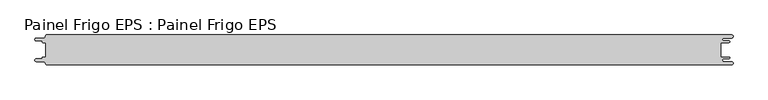
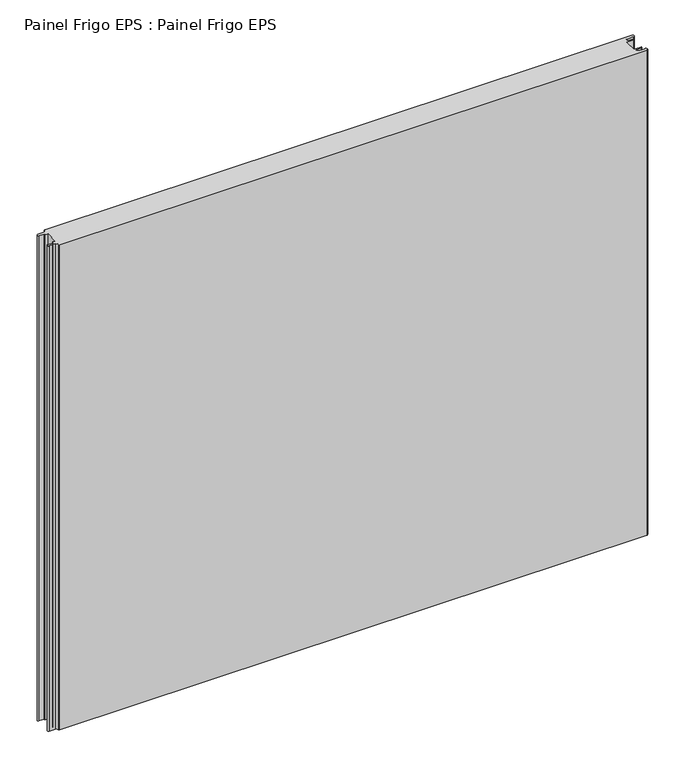
"""IFC4 building model written with IfcOpenShell, lengths in millimetres: proxy geometry, Painel Frigo EPS : Painel Frigo EPS."""

from ifc_helpers import new_model, si_unit, frame, origin, place, context, project, spatial, polyline, circle_curve, source, transform, mapped, element, save
from ifc_brep_helpers import plane_surface, cylinder_surface, revolved_surface, advanced_brep


def painel_frigo_eps_painel_frigo_eps_daf42978(model_context):
    return source(origin(), model_context, "Body", "AdvancedBrep", [
        advanced_brep(
        [(-579.5093748, 12.3, 1000.0), (-574.2218362, 12.3, 1000.0), (-574.2218362, -12.2999995, 1000.0), (-579.5093748, -12.2999995, 1000.0), (-580.1093753, -12.9, 1000.0), (-580.1093753, -13.7085185, 1000.0), (-581.5093753, -15.1085185, 1000.0), (-590.4875, -15.1085185, 1000.0), (-590.4875, -19.5085185, 1000.0), (-578.471875, -19.5085185, 1000.0), (-574.921875, -23.0585185, 1000.0), (-572.971875, -25.0, 1000.0), (572.284375, -25.0, 1000.0), (572.284375, -19.725, 1000.0), (559.378125, -19.725, 1000.0), (559.378125, -14.875, 1000.0), (568.0406253, -14.875, 1000.0), (568.0406253, -12.3, 1000.0), (554.1906253, -12.3, 1000.0), (554.1906253, 12.3, 1000.0), (568.0406253, 12.3, 1000.0), (568.0406253, 14.875, 1000.0), (559.378125, 14.875, 1000.0), (559.378125, 19.725, 1000.0), (572.284375, 19.725, 1000.0), (572.284375, 25.0, 1000.0), (-572.971875, 25.0, 1000.0), (-574.921875, 23.05, 1000.0), (-578.471875, 19.5085185, 1000.0), (-590.4875, 19.5085185, 1000.0), (-590.4875, 15.1085187, 1000.0), (-581.5093751, 15.1085187, 1000.0), (-580.1093748, 13.7085184, 1000.0), (-580.1093748, 12.9, 1000.0), (-579.5093748, 12.3, 0.0), (-580.1093748, 12.9, 0.0), (-580.1093748, 13.7085184, 0.0), (-581.5093751, 15.1085187, 0.0), (-590.4875, 15.1085187, 0.0), (-590.4875, 19.5085185, 0.0), (-578.471875, 19.5085185, 0.0), (-574.921875, 23.0585185, 0.0), (-572.971875, 25.0, 0.0), (572.284375, 25.0, 0.0), (572.284375, 19.725, 0.0), (559.378125, 19.725, 0.0), (559.378125, 14.875, 0.0), (568.0406253, 14.875, 0.0), (568.0406253, 12.3, 0.0), (554.1906253, 12.3, 0.0), (554.1906253, -12.3, 0.0), (568.0406253, -12.3, 0.0), (568.0406253, -14.875, 0.0), (559.378125, -14.875, 0.0), (559.378125, -19.725, 0.0), (572.284375, -19.725, 0.0), (572.284375, -25.0, 0.0), (-572.971875, -25.0, 0.0), (-574.921875, -23.05, 0.0), (-578.471875, -19.5085185, 0.0), (-590.4875, -19.5085185, 0.0), (-590.4875, -15.1085185, 0.0), (-581.5093753, -15.1085185, 0.0), (-580.1093753, -13.7085185, 0.0), (-580.1093753, -12.9, 0.0), (-579.5093748, -12.2999995, 0.0), (-574.2218362, -12.2999995, 0.0), (-574.2218362, 12.3, 0.0)],
        [
            (0, 1),
            (1, 2),
            (2, 3),
            (3, 4, circle_curve(frame((-579.5093748, -12.9, 1000.0), z_axis=(0.0, 0.0, 1.0), x_axis=(1.0, 0.0, 0.0)), 0.6000005)),
            (4, 5),
            (5, 6, circle_curve(frame((-581.5093753, -13.7085185, 1000.0), z_axis=(0.0, 0.0, -1.0), x_axis=(1.0, 0.0, 0.0)), 1.4)),
            (6, 7),
            (7, 8, circle_curve(frame((-590.4875, -17.3085185, 1000.0), z_axis=(0.0, 0.0, 1.0), x_axis=(1.0, 0.0, 0.0)), 2.2)),
            (8, 9),
            (9, 10, circle_curve(frame((-578.471875, -23.0585185, 1000.0), z_axis=(0.0, 0.0, -1.0), x_axis=(1.0, 0.0, 0.0)), 3.55)),
            (10, 11, circle_curve(frame((-572.971875, -23.05, 1000.0), z_axis=(0.0, 0.0, 1.0), x_axis=(1.0, 0.0, 0.0)), 1.95)),
            (11, 12),
            (12, 13, circle_curve(frame((572.284375, -22.3625, 1000.0), z_axis=(0.0, 0.0, 1.0), x_axis=(1.0, 0.0, 0.0)), 2.6375)),
            (13, 14),
            (14, 15, circle_curve(frame((559.378125, -17.3, 1000.0), z_axis=(0.0, 0.0, -1.0), x_axis=(1.0, 0.0, 0.0)), 2.425)),
            (15, 16),
            (16, 17, circle_curve(frame((568.0406253, -13.5875, 1000.0), z_axis=(0.0, 0.0, 1.0), x_axis=(1.0, 0.0, 0.0)), 1.2875)),
            (17, 18),
            (18, 19),
            (19, 20),
            (20, 21, circle_curve(frame((568.0406253, 13.5875, 1000.0), z_axis=(0.0, 0.0, 1.0), x_axis=(1.0, 0.0, 0.0)), 1.2875)),
            (21, 22),
            (22, 23, circle_curve(frame((559.378125, 17.3, 1000.0), z_axis=(0.0, 0.0, -1.0), x_axis=(1.0, 0.0, 0.0)), 2.425)),
            (23, 24),
            (24, 25, circle_curve(frame((572.284375, 22.3625, 1000.0), z_axis=(0.0, 0.0, 1.0), x_axis=(1.0, 0.0, 0.0)), 2.6375)),
            (25, 26),
            (26, 27, circle_curve(frame((-572.971875, 23.05, 1000.0), z_axis=(0.0, 0.0, 1.0), x_axis=(1.0, 0.0, 0.0)), 1.95)),
            (27, 28, circle_curve(frame((-578.471875, 23.0585185, 1000.0), z_axis=(0.0, 0.0, -1.0), x_axis=(1.0, 0.0, 0.0)), 3.55)),
            (28, 29),
            (29, 30, circle_curve(frame((-590.4875, 17.3085186, 1000.0), z_axis=(0.0, 0.0, 1.0), x_axis=(1.0, 0.0, 0.0)), 2.1999999)),
            (30, 31),
            (31, 32, circle_curve(frame((-581.5093751, 13.7085184, 1000.0), z_axis=(0.0, 0.0, -1.0), x_axis=(1.0, 0.0, 0.0)), 1.4000003)),
            (32, 33),
            (33, 0, circle_curve(frame((-579.5093748, 12.9, 1000.0), z_axis=(0.0, 0.0, 1.0), x_axis=(1.0, 0.0, 0.0)), 0.6)),
            (34, 35, circle_curve(frame((-579.5093748, 12.9, 0.0), z_axis=(0.0, 0.0, -1.0), x_axis=(1.0, 0.0, 0.0)), 0.6)),
            (35, 36),
            (36, 37, circle_curve(frame((-581.5093751, 13.7085184, 0.0), z_axis=(0.0, 0.0, 1.0), x_axis=(1.0, 0.0, 0.0)), 1.4000003)),
            (37, 38),
            (38, 39, circle_curve(frame((-590.4875, 17.3085186, 0.0), z_axis=(0.0, 0.0, -1.0), x_axis=(1.0, 0.0, 0.0)), 2.1999999)),
            (39, 40),
            (40, 41, circle_curve(frame((-578.471875, 23.0585185, 0.0), z_axis=(0.0, 0.0, 1.0), x_axis=(1.0, 0.0, 0.0)), 3.55)),
            (41, 42, circle_curve(frame((-572.971875, 23.05, 0.0), z_axis=(0.0, 0.0, -1.0), x_axis=(1.0, 0.0, 0.0)), 1.95)),
            (42, 43),
            (43, 44, circle_curve(frame((572.284375, 22.3625, 0.0), z_axis=(0.0, 0.0, -1.0), x_axis=(1.0, 0.0, 0.0)), 2.6375)),
            (44, 45),
            (45, 46, circle_curve(frame((559.378125, 17.3, 0.0), z_axis=(0.0, 0.0, 1.0), x_axis=(1.0, 0.0, 0.0)), 2.425)),
            (46, 47),
            (47, 48, circle_curve(frame((568.0406253, 13.5875, 0.0), z_axis=(0.0, 0.0, -1.0), x_axis=(1.0, 0.0, 0.0)), 1.2875)),
            (48, 49),
            (49, 50),
            (50, 51),
            (51, 52, circle_curve(frame((568.0406253, -13.5875, 0.0), z_axis=(0.0, 0.0, -1.0), x_axis=(1.0, 0.0, 0.0)), 1.2875)),
            (52, 53),
            (53, 54, circle_curve(frame((559.378125, -17.3, 0.0), z_axis=(0.0, 0.0, 1.0), x_axis=(1.0, 0.0, 0.0)), 2.425)),
            (54, 55),
            (55, 56, circle_curve(frame((572.284375, -22.3625, 0.0), z_axis=(0.0, 0.0, -1.0), x_axis=(1.0, 0.0, 0.0)), 2.6375)),
            (56, 57),
            (57, 58, circle_curve(frame((-572.971875, -23.05, 0.0), z_axis=(0.0, 0.0, -1.0), x_axis=(1.0, 0.0, 0.0)), 1.95)),
            (58, 59, circle_curve(frame((-578.471875, -23.0585185, 0.0), z_axis=(0.0, 0.0, 1.0), x_axis=(1.0, 0.0, 0.0)), 3.55)),
            (59, 60),
            (60, 61, circle_curve(frame((-590.4875, -17.3085185, 0.0), z_axis=(0.0, 0.0, -1.0), x_axis=(1.0, 0.0, 0.0)), 2.2)),
            (61, 62),
            (62, 63, circle_curve(frame((-581.5093753, -13.7085185, 0.0), z_axis=(0.0, 0.0, 1.0), x_axis=(1.0, 0.0, 0.0)), 1.4)),
            (63, 64),
            (64, 65, circle_curve(frame((-579.5093748, -12.9, 0.0), z_axis=(0.0, 0.0, -1.0), x_axis=(1.0, 0.0, 0.0)), 0.6000005)),
            (65, 66),
            (66, 67),
            (67, 34),
            (11, 57),
            (56, 12),
            (25, 43),
            (42, 26),
            (0, 34),
            (67, 1),
            (66, 2),
            (65, 3),
            (64, 4),
            (63, 5),
            (62, 6),
            (61, 7),
            (60, 8),
            (59, 9),
            (58, 10),
            (18, 50),
            (49, 19),
            (48, 20),
            (47, 21),
            (46, 22),
            (45, 23),
            (44, 24),
            (41, 27),
            (40, 28),
            (39, 29),
            (38, 30),
            (37, 31),
            (36, 32),
            (35, 33),
            (55, 13),
            (54, 14),
            (53, 15),
            (52, 16),
            (51, 17),
        ],
        [
            plane_surface(frame((-574.2218362, 12.3, 1000.0), z_axis=(0.0, 0.0, 1.0), x_axis=(1.0, 0.0, 0.0))),
            plane_surface(frame((-574.2218362, 12.3, 0.0), z_axis=(0.0, 0.0, -1.0), x_axis=(-1.0, 0.0, 0.0))),
            plane_surface(frame((-572.971875, -25.0, 1000.0), z_axis=(0.0, -1.0, 0.0), x_axis=(0.0, 0.0, -1.0))),
            plane_surface(frame((572.284375, 25.0, 1000.0), z_axis=(0.0, 1.0, 0.0), x_axis=(0.0, 0.0, -1.0))),
            plane_surface(frame((-579.5093748, 12.3, 1000.0), z_axis=(0.0, -1.0, 0.0), x_axis=(0.0, 0.0, -1.0))),
            plane_surface(frame((-574.2218362, 12.3, 1000.0), z_axis=(-1.0, 0.0, 0.0), x_axis=(0.0, 0.0, -1.0))),
            plane_surface(frame((-574.2218362, -12.2999995, 1000.0), z_axis=(0.0, 1.0, 0.0), x_axis=(0.0, 0.0, -1.0))),
            cylinder_surface(frame((-579.5093748, -12.9, 0.0), z_axis=(0.0, 0.0, 1.0), x_axis=(1.0, 0.0, 0.0)), 0.6000005),
            plane_surface(frame((-580.1093753, -12.9, 1000.0), z_axis=(-1.0, 1.757860866232943e-12, 0.0), x_axis=(0.0, 0.0, -1.0))),
            revolved_surface(polyline([(-580.1093753, -13.7085185, 0.0), (-580.1093753, -13.7085185, 1000.0)]), (-581.5093753, -13.7085185, 0.0), (0.0, 0.0, -1.0)),
            plane_surface(frame((-581.5093753, -15.1085185, 1000.0), z_axis=(0.0, 1.0, 0.0), x_axis=(0.0, 0.0, -1.0))),
            cylinder_surface(frame((-590.4875, -17.3085185, 0.0), z_axis=(0.0, 0.0, 1.0), x_axis=(1.0, 0.0, 0.0)), 2.2),
            plane_surface(frame((-590.4875, -19.5085185, 1000.0), z_axis=(0.0, -1.0, 0.0), x_axis=(0.0, 0.0, -1.0))),
            revolved_surface(polyline([(-574.921875, -23.0585185, 0.0), (-574.921875, -23.0585185, 1000.0)]), (-578.471875, -23.0585185, 0.0), (0.0, 0.0, -1.0)),
            cylinder_surface(frame((-572.971875, -23.05, 0.0), z_axis=(0.0, 0.0, 1.0), x_axis=(1.0, 0.0, 0.0)), 1.95),
            plane_surface(frame((554.1906253, -12.3, 1000.0), z_axis=(1.0, 0.0, 0.0), x_axis=(0.0, 0.0, -1.0))),
            plane_surface(frame((554.1906253, 12.3, 1000.0), z_axis=(0.0, -1.0, 0.0), x_axis=(0.0, 0.0, -1.0))),
            cylinder_surface(frame((568.0406253, 13.5875, 0.0), z_axis=(0.0, 0.0, 1.0), x_axis=(1.0, 0.0, 0.0)), 1.2875),
            plane_surface(frame((568.0406253, 14.875, 1000.0), z_axis=(0.0, 1.0, 0.0), x_axis=(0.0, 0.0, -1.0))),
            revolved_surface(polyline([(561.8031249999999, 17.3, 0.0), (561.8031249999999, 17.3, 1000.0)]), (559.378125, 17.3, 0.0), (0.0, 0.0, -1.0)),
            plane_surface(frame((559.378125, 19.725, 1000.0), z_axis=(0.0, -1.0, 0.0), x_axis=(0.0, 0.0, -1.0))),
            cylinder_surface(frame((572.284375, 22.3625, 0.0), z_axis=(0.0, 0.0, 1.0), x_axis=(1.0, 0.0, 0.0)), 2.6375),
            cylinder_surface(frame((-572.971875, 23.05, 0.0), z_axis=(0.0, 0.0, 1.0), x_axis=(1.0, 0.0, 0.0)), 1.95),
            revolved_surface(polyline([(-574.921875, 23.0585185, 0.0), (-574.921875, 23.0585185, 1000.0)]), (-578.471875, 23.0585185, 0.0), (0.0, 0.0, -1.0)),
            plane_surface(frame((-578.471875, 19.5085185, 1000.0), z_axis=(0.0, 1.0, 0.0), x_axis=(0.0, 0.0, -1.0))),
            cylinder_surface(frame((-590.4875, 17.3085186, 0.0), z_axis=(0.0, 0.0, 1.0), x_axis=(1.0, 0.0, 0.0)), 2.1999999),
            plane_surface(frame((-590.4875, 15.1085187, 1000.0), z_axis=(0.0, -1.0, 0.0), x_axis=(0.0, 0.0, -1.0))),
            revolved_surface(polyline([(-580.1093748000001, 13.7085184, 0.0), (-580.1093748000001, 13.7085184, 1000.0)]), (-581.5093751, 13.7085184, 0.0), (0.0, 0.0, -1.0)),
            plane_surface(frame((-580.1093748, 13.7085184, 1000.0), z_axis=(-1.0, 0.0, 0.0), x_axis=(0.0, 0.0, -1.0))),
            cylinder_surface(frame((-579.5093748, 12.9, 0.0), z_axis=(0.0, 0.0, 1.0), x_axis=(1.0, 0.0, 0.0)), 0.6),
            cylinder_surface(frame((572.284375, -22.3625, 0.0), z_axis=(0.0, 0.0, 1.0), x_axis=(1.0, 0.0, 0.0)), 2.6375),
            plane_surface(frame((572.284375, -19.725, 1000.0), z_axis=(0.0, 1.0, 0.0), x_axis=(0.0, 0.0, -1.0))),
            revolved_surface(polyline([(561.8031249999999, -17.3, 0.0), (561.8031249999999, -17.3, 1000.0)]), (559.378125, -17.3, 0.0), (0.0, 0.0, -1.0)),
            plane_surface(frame((559.378125, -14.875, 1000.0), z_axis=(0.0, -1.0, 0.0), x_axis=(0.0, 0.0, -1.0))),
            cylinder_surface(frame((568.0406253, -13.5875, 0.0), z_axis=(0.0, 0.0, 1.0), x_axis=(1.0, 0.0, 0.0)), 1.2875),
            plane_surface(frame((568.0406253, -12.3, 1000.0), z_axis=(0.0, 1.0, 0.0), x_axis=(0.0, 0.0, -1.0))),
        ],
        [
            (0, [[1, 2, 3, 4, 5, 6, 7, 8, 9, 10, 11, 12, 13, 14, 15, 16, 17, 18, 19, 20, 21, 22, 23, 24, 25, 26, 27, 28, 29, 30, 31, 32, 33, 34]]),
            (1, [[35, 36, 37, 38, 39, 40, 41, 42, 43, 44, 45, 46, 47, 48, 49, 50, 51, 52, 53, 54, 55, 56, 57, 58, 59, 60, 61, 62, 63, 64, 65, 66, 67, 68]]),
            (2, [[-12, 69, -57, 70]]),
            (3, [[-26, 71, -43, 72]]),
            (4, [[-1, 73, -68, 74]]),
            (5, [[-2, -74, -67, 75]]),
            (6, [[-3, -75, -66, 76]]),
            (7, [[-4, -76, -65, 77]]),
            (8, [[-5, -77, -64, 78]]),
            (9, [[-6, -78, -63, 79]]),
            (10, [[-7, -79, -62, 80]]),
            (11, [[-8, -80, -61, 81]]),
            (12, [[-9, -81, -60, 82]]),
            (13, [[-10, -82, -59, 83]]),
            (14, [[-11, -83, -58, -69]]),
            (15, [[-19, 84, -50, 85]]),
            (16, [[-20, -85, -49, 86]]),
            (17, [[-21, -86, -48, 87]]),
            (18, [[-22, -87, -47, 88]]),
            (19, [[-23, -88, -46, 89]]),
            (20, [[-24, -89, -45, 90]]),
            (21, [[-25, -90, -44, -71]]),
            (22, [[-27, -72, -42, 91]]),
            (23, [[-28, -91, -41, 92]]),
            (24, [[-29, -92, -40, 93]]),
            (25, [[-30, -93, -39, 94]]),
            (26, [[-31, -94, -38, 95]]),
            (27, [[-32, -95, -37, 96]]),
            (28, [[-33, -96, -36, 97]]),
            (29, [[-34, -97, -35, -73]]),
            (30, [[-13, -70, -56, 98]]),
            (31, [[-14, -98, -55, 99]]),
            (32, [[-15, -99, -54, 100]]),
            (33, [[-16, -100, -53, 101]]),
            (34, [[-17, -101, -52, 102]]),
            (35, [[-18, -102, -51, -84]]),
        ],
    ),
    ])


if __name__ == "__main__":
    model = new_model("IFC4")
    model_context = context("Model", 3, world=origin())
    ifc_project = project(units=[si_unit("LENGTHUNIT", "METRE", prefix="MILLI")], contexts=[model_context])
    site = spatial("IfcSite", under=ifc_project)
    building = spatial("IfcBuilding", under=site)
    placement = place(None, origin())
    painel_frigo_eps_painel_frigo_eps_shape = painel_frigo_eps_painel_frigo_eps_daf42978(model_context)
    element("IfcBuildingElementProxy", 1, Name="Painel Frigo EPS : Painel Frigo EPS", ObjectType="Painel Frigo EPS : Painel Frigo EPS", at=placement, inside=building, context=model_context, shape_type="MappedRepresentation", body=[
        mapped(painel_frigo_eps_painel_frigo_eps_shape, transform((0.0, 0.0, 0.0), x_axis=(1.0, 0.0, 0.0), y_axis=(0.0, 1.0, 0.0), z_axis=(0.0, 0.0, 1.0))),
    ])
    save(model, "model.ifc")
